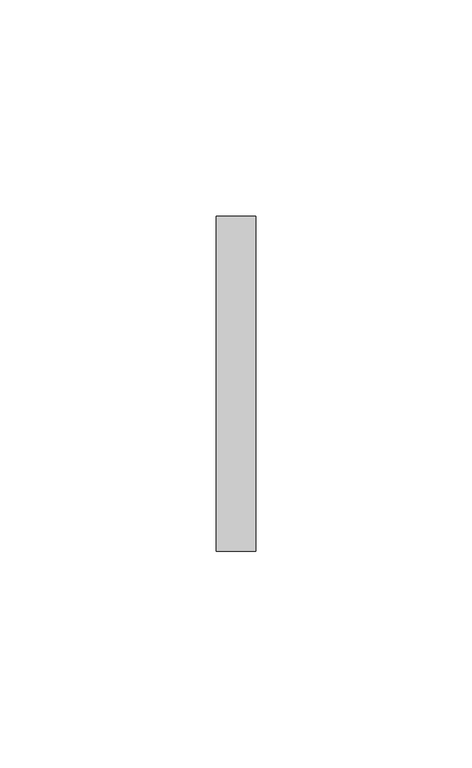
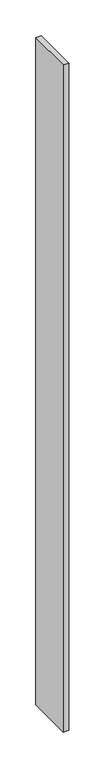
"""IFC4 building model written with IfcOpenShell, lengths in millimetres: furniture geometry."""

from ifc_helpers import new_model, si_unit, frame, origin, place, context, project, spatial, polyline, outline, extrude, source, transform, mapped, element, save


def furniture_ef8c2a67(model_context):
    return source(origin(), model_context, "Body", "SweptSolid", [
        extrude(outline(polyline([(5.5434607, 38.6537944), (5.5434607, -38.8360494), (-3.5846643, -38.8360494), (-3.5846643, 38.6537944), (5.5434607, 38.6537944)])), frame((0.0, 0.0, 14.2875), z_axis=(0.0, 0.0, 1.0), x_axis=(1.0, 0.0, 0.0)), (0.0, 0.0, 1.0), 1143.0635),
    ])


if __name__ == "__main__":
    model = new_model("IFC4")
    model_context = context("Model", 3, world=origin())
    ifc_project = project(units=[si_unit("LENGTHUNIT", "METRE", prefix="MILLI")], contexts=[model_context])
    site = spatial("IfcSite", under=ifc_project)
    building = spatial("IfcBuilding", under=site)
    placement = place(None, origin())
    furniture_shape = furniture_ef8c2a67(model_context)
    element("IfcFurniture", 1, at=placement, inside=building, context=model_context, shape_type="MappedRepresentation", body=[
        mapped(furniture_shape, transform((0.0, 0.0, 0.0), x_axis=(1.0, 0.0, 0.0), y_axis=(0.0, 1.0, 0.0), z_axis=(0.0, 0.0, 1.0))),
    ])
    save(model, "model.ifc")
